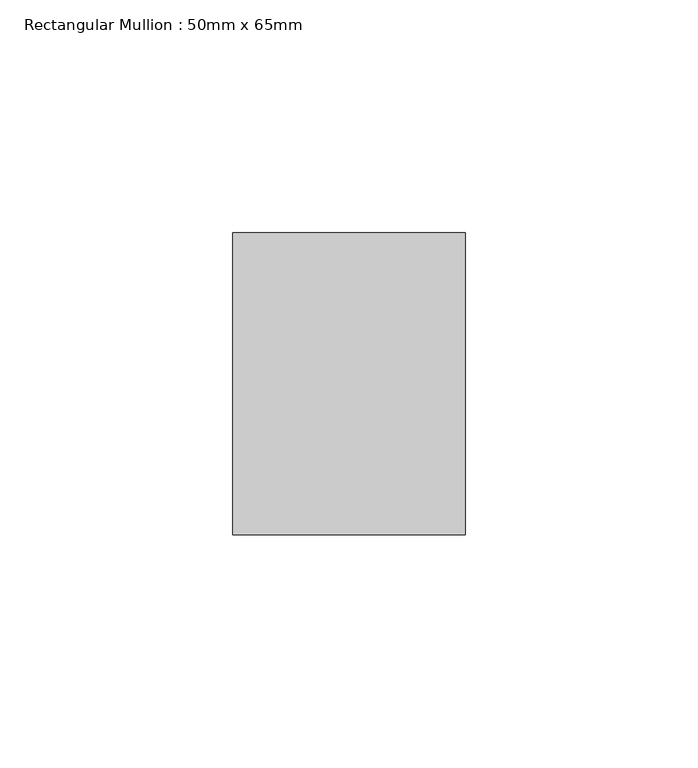
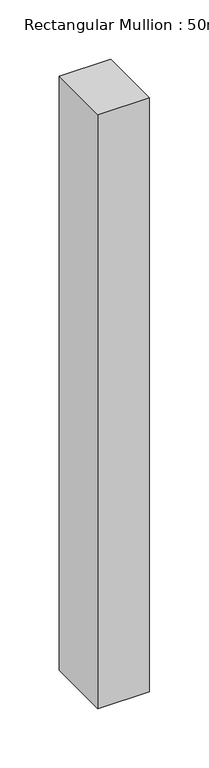
"""IFC4 building model written with IfcOpenShell, lengths in millimetres: member geometry, Rectangular Mullion : 50mm x 65mm."""

from ifc_helpers import new_model, si_unit, frame, origin, place, context, project, spatial, polyline, outline, extrude, source, transform, mapped, element, save


def rectangular_mullion_50mm_x_65mm_2941a6bb(model_context):
    return source(origin(), model_context, "Body", "SweptSolid", [
        extrude(outline(polyline([(25.0, 32.5), (25.0, -32.5), (-25.0, -32.5), (-25.0, 32.5), (25.0, 32.5)])), frame((0.0, 0.0, -610.7645608), z_axis=(0.0, 0.0, 1.0), x_axis=(1.0, 0.0, 0.0)), (0.0, 0.0, 1.0), 610.7645608),
    ])


if __name__ == "__main__":
    model = new_model("IFC4")
    model_context = context("Model", 3, world=origin())
    ifc_project = project(units=[si_unit("LENGTHUNIT", "METRE", prefix="MILLI")], contexts=[model_context])
    site = spatial("IfcSite", under=ifc_project)
    building = spatial("IfcBuilding", under=site)
    placement = place(None, origin())
    rectangular_mullion_50mm_x_65mm_shape = rectangular_mullion_50mm_x_65mm_2941a6bb(model_context)
    element("IfcMember", 1, ObjectType="Rectangular Mullion : 50mm x 65mm", at=placement, inside=building, context=model_context, shape_type="MappedRepresentation", body=[
        mapped(rectangular_mullion_50mm_x_65mm_shape, transform((0.0, 0.0, 0.0), x_axis=(1.0, 0.0, 0.0), y_axis=(0.0, 1.0, 0.0), z_axis=(0.0, 0.0, 1.0))),
    ])
    save(model, "model.ifc")
